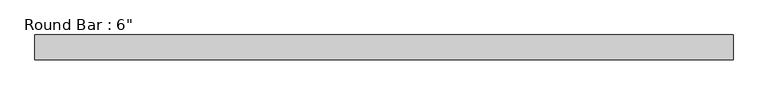
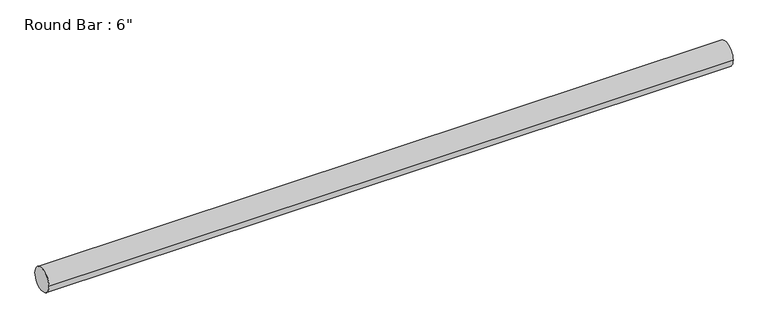
"""IFC4 building model written with IfcOpenShell, lengths in millimetres: beam geometry."""

from ifc_helpers import new_model, si_unit, point, frame, origin, origin_2d, place, context, project, spatial, circle_curve, trimmed, segment, composite_curve, outline, extrude, source, transform, mapped, element, save


def beam_23cf2928(model_context):
    return source(origin(), model_context, "Body", "SweptSolid", [
        extrude(outline(composite_curve([segment(trimmed(circle_curve(origin_2d(), 76.2), [point((-76.2, 0.0))], [point((76.2, 0.0))], False, "CARTESIAN"), True, "CONTINUOUS"), segment(trimmed(circle_curve(origin_2d(), 76.2), [point((76.2, 0.0))], [point((-76.2, 0.0))], False, "CARTESIAN"), True, "CONTINUOUS")], self_intersect=False)), frame((-2165.2376834, 0.0, 0.0), z_axis=(1.0, 0.0, 0.0), x_axis=(0.0, 1.0, 0.0)), (0.0, 0.0, 1.0), 4306.2569423),
    ])


if __name__ == "__main__":
    model = new_model("IFC4")
    model_context = context("Model", 3, world=origin())
    ifc_project = project(units=[si_unit("LENGTHUNIT", "METRE", prefix="MILLI")], contexts=[model_context])
    site = spatial("IfcSite", under=ifc_project)
    building = spatial("IfcBuilding", under=site)
    placement = place(None, origin())
    beam_shape = beam_23cf2928(model_context)
    element("IfcBeam", 1, ObjectType="Round Bar : 6\"", at=placement, inside=building, context=model_context, shape_type="MappedRepresentation", body=[
        mapped(beam_shape, transform((0.0, 0.0, 0.0), x_axis=(1.0, 0.0, 0.0), y_axis=(0.0, 1.0, 0.0), z_axis=(0.0, 0.0, 1.0))),
    ])
    save(model, "model.ifc")
